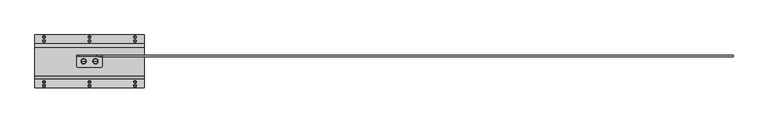
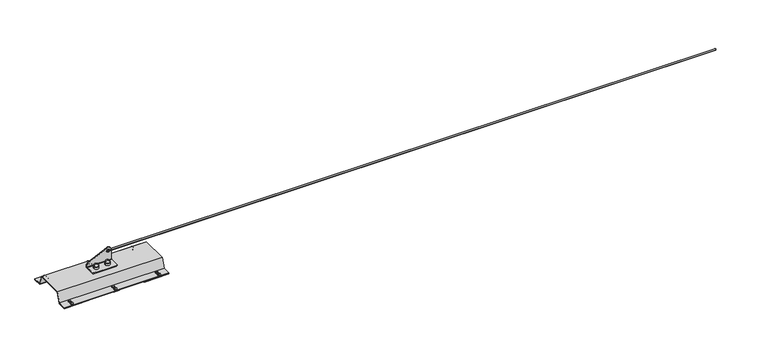
"""IFC4 building model written with IfcOpenShell, lengths in millimetres: proxy geometry."""

from ifc_helpers import new_model, si_unit, point, frame, frame_2d, origin, origin_with_axes, place, context, project, spatial, polyline, circle_curve, ellipse_curve, trimmed, segment, composite_curve, outline, extrude, source, transform, mapped, element, save
from ifc_brep_helpers import plane_surface, cylinder_surface, revolved_surface, advanced_brep


def specialty_equipment_184cac67(model_context):
    return source(origin(), model_context, "Body", "SolidModel", [
        advanced_brep(
        [(30.0, -27.5, 61.0), (17.0, -27.5, 61.0), (43.0, -27.5, 61.0), (41.1288682, -27.5, 74.769106), (18.8711318, -27.5, 74.769106), (30.0, -27.5, 84.5), (41.6048875, -27.5, 74.0453749), (18.3951125, -27.5, 74.0453749), (42.5150381, -27.5, 73.4985013), (17.4849619, -27.5, 73.4985013), (43.0, -27.5, 72.641334), (17.0, -27.5, 72.641334)],
        [
            (0, 1),
            (1, 2, circle_curve(frame((30.0, -27.5, 61.0), z_axis=(0.0, 0.0, -1.0), x_axis=(-1.0, 0.0, 0.0)), 13.0)),
            (2, 0),
            (2, 1, circle_curve(frame((30.0, -27.5, 61.0), z_axis=(0.0, 0.0, -1.0), x_axis=(-1.0, 0.0, 0.0)), 13.0)),
            (3, 4, circle_curve(frame((30.0, -27.5, 74.769106), z_axis=(0.0, 0.0, 1.0), x_axis=(-1.0, 0.0, 0.0)), 11.1288682)),
            (4, 5, circle_curve(frame((30.0, -27.5, 73.2707129), z_axis=(0.0, 1.0, 0.0), x_axis=(1.0, 0.0, 0.0)), 11.2292871)),
            (5, 3, circle_curve(frame((30.0, -27.5, 73.2707129), z_axis=(0.0, 1.0, 0.0), x_axis=(-1.0, 0.0, 0.0)), 11.2292871)),
            (4, 3, circle_curve(frame((30.0, -27.5, 74.769106), z_axis=(0.0, 0.0, 1.0), x_axis=(-1.0, 0.0, 0.0)), 11.1288682)),
            (6, 7, circle_curve(frame((30.0, -27.5, 74.0453749), z_axis=(0.0, 0.0, 1.0), x_axis=(-1.0, 0.0, 0.0)), 11.6048875)),
            (7, 4, circle_curve(frame((17.8800744, -27.5, 74.9025422), z_axis=(0.0, -1.0, 0.0), x_axis=(1.0, 0.0, 0.0)), 1.0)),
            (3, 6, circle_curve(frame((42.1199256, -27.5, 74.9025422), z_axis=(0.0, -1.0, 0.0), x_axis=(-1.0, 0.0, 0.0)), 1.0)),
            (7, 6, circle_curve(frame((30.0, -27.5, 74.0453749), z_axis=(0.0, 0.0, 1.0), x_axis=(-1.0, 0.0, 0.0)), 11.6048875)),
            (8, 9, circle_curve(frame((30.0, -27.5, 73.4985013), z_axis=(0.0, 0.0, 1.0), x_axis=(-1.0, 0.0, 0.0)), 12.5150381)),
            (9, 7),
            (6, 8),
            (9, 8, circle_curve(frame((30.0, -27.5, 73.4985013), z_axis=(0.0, 0.0, 1.0), x_axis=(-1.0, 0.0, 0.0)), 12.5150381)),
            (10, 11, circle_curve(frame((30.0, -27.5, 72.641334), z_axis=(0.0, 0.0, 1.0), x_axis=(-1.0, 0.0, 0.0)), 13.0)),
            (11, 9, circle_curve(frame((18.0, -27.5, 72.641334), z_axis=(0.0, 1.0, 0.0), x_axis=(1.0, 0.0, 0.0)), 1.0)),
            (8, 10, circle_curve(frame((42.0, -27.5, 72.641334), z_axis=(0.0, 1.0, 0.0), x_axis=(-1.0, 0.0, 0.0)), 1.0)),
            (11, 10, circle_curve(frame((30.0, -27.5, 72.641334), z_axis=(0.0, 0.0, 1.0), x_axis=(-1.0, 0.0, 0.0)), 13.0)),
            (1, 11),
            (10, 2),
        ],
        [
            plane_surface(frame((30.0, -27.5, 61.0), z_axis=(0.0, 0.0, -1.0), x_axis=(-1.0, 0.0, 0.0))),
            revolved_surface(trimmed(ellipse_curve(frame((30.0, -27.5, 73.2707129), z_axis=(0.0, -1.0, 0.0), x_axis=(1.0, 0.0, 0.0)), 11.2292871, 11.2292871), [point((30.0, -27.5, 84.5))], [point((18.8711318, -27.5, 74.769106))], True, "CARTESIAN"), (30.0, -27.5, 53.3736575), (0.0, 0.0, -1.0)),
            revolved_surface(trimmed(ellipse_curve(frame((17.8800744, -27.5, 74.9025422), z_axis=(0.0, 1.0, 0.0), x_axis=(1.0, 0.0, 0.0)), 1.0, 1.0), [point((18.8711318, -27.5, 74.769106))], [point((18.3951125, -27.5, 74.0453749))], True, "CARTESIAN"), (30.0, -27.5, 53.3736575), (0.0, 0.0, -1.0)),
            revolved_surface(polyline([(18.3951125, -27.5, 74.0453749), (17.4849619, -27.5, 73.4985013)]), (30.0, -27.5, 53.3736575), (0.0, 0.0, -1.0)),
            revolved_surface(trimmed(ellipse_curve(frame((18.0, -27.5, 72.641334), z_axis=(0.0, -1.0, 0.0), x_axis=(1.0, 0.0, 0.0)), 1.0, 1.0), [point((17.4849619, -27.5, 73.4985013))], [point((17.0, -27.5, 72.641334))], True, "CARTESIAN"), (30.0, -27.5, 53.3736575), (0.0, 0.0, -1.0)),
            cylinder_surface(frame((30.0, -27.5, 53.3736575), z_axis=(0.0, 0.0, -1.0), x_axis=(-1.0, 0.0, 0.0)), 13.0),
        ],
        [
            (0, [[1, 2, 3]]),
            (0, [[-3, 4, -1]]),
            (1, [[5, 6, 7]]),
            (1, [[8, -7, -6]]),
            (2, [[9, 10, -5, 11]]),
            (2, [[12, -11, -8, -10]]),
            (3, [[13, 14, -9, 15]]),
            (3, [[16, -15, -12, -14]]),
            (4, [[17, 18, -13, 19]]),
            (4, [[20, -19, -16, -18]]),
            (5, [[-2, 21, -17, 22]]),
            (5, [[-4, -22, -20, -21]]),
        ],
    ),
        advanced_brep(
        [(-30.0, -27.5, 61.0), (-43.0, -27.5, 61.0), (-17.0, -27.5, 61.0), (-18.8711318, -27.5, 74.769106), (-41.1288682, -27.5, 74.769106), (-30.0, -27.5, 84.5), (-18.3951125, -27.5, 74.0453749), (-41.6048875, -27.5, 74.0453749), (-17.4849619, -27.5, 73.4985013), (-42.5150381, -27.5, 73.4985013), (-17.0, -27.5, 72.641334), (-43.0, -27.5, 72.641334)],
        [
            (0, 1),
            (1, 2, circle_curve(frame((-30.0, -27.5, 61.0), z_axis=(0.0, 0.0, -1.0), x_axis=(-1.0, 0.0, 0.0)), 13.0)),
            (2, 0),
            (2, 1, circle_curve(frame((-30.0, -27.5, 61.0), z_axis=(0.0, 0.0, -1.0), x_axis=(-1.0, 0.0, 0.0)), 13.0)),
            (3, 4, circle_curve(frame((-30.0, -27.5, 74.769106), z_axis=(0.0, 0.0, 1.0), x_axis=(-1.0, 0.0, 0.0)), 11.1288682)),
            (4, 5, circle_curve(frame((-30.0, -27.5, 73.2707129), z_axis=(0.0, 1.0, 0.0), x_axis=(1.0, 0.0, 0.0)), 11.2292871)),
            (5, 3, circle_curve(frame((-30.0, -27.5, 73.2707129), z_axis=(0.0, 1.0, 0.0), x_axis=(-1.0, 0.0, 0.0)), 11.2292871)),
            (4, 3, circle_curve(frame((-30.0, -27.5, 74.769106), z_axis=(0.0, 0.0, 1.0), x_axis=(-1.0, 0.0, 0.0)), 11.1288682)),
            (6, 7, circle_curve(frame((-30.0, -27.5, 74.0453749), z_axis=(0.0, 0.0, 1.0), x_axis=(-1.0, 0.0, 0.0)), 11.6048875)),
            (7, 4, circle_curve(frame((-42.1199256, -27.5, 74.9025422), z_axis=(0.0, -1.0, 0.0), x_axis=(1.0, 0.0, 0.0)), 1.0)),
            (3, 6, circle_curve(frame((-17.8800744, -27.5, 74.9025422), z_axis=(0.0, -1.0, 0.0), x_axis=(-1.0, 0.0, 0.0)), 1.0)),
            (7, 6, circle_curve(frame((-30.0, -27.5, 74.0453749), z_axis=(0.0, 0.0, 1.0), x_axis=(-1.0, 0.0, 0.0)), 11.6048875)),
            (8, 9, circle_curve(frame((-30.0, -27.5, 73.4985013), z_axis=(0.0, 0.0, 1.0), x_axis=(-1.0, 0.0, 0.0)), 12.5150381)),
            (9, 7),
            (6, 8),
            (9, 8, circle_curve(frame((-30.0, -27.5, 73.4985013), z_axis=(0.0, 0.0, 1.0), x_axis=(-1.0, 0.0, 0.0)), 12.5150381)),
            (10, 11, circle_curve(frame((-30.0, -27.5, 72.641334), z_axis=(0.0, 0.0, 1.0), x_axis=(-1.0, 0.0, 0.0)), 13.0)),
            (11, 9, circle_curve(frame((-42.0, -27.5, 72.641334), z_axis=(0.0, 1.0, 0.0), x_axis=(1.0, 0.0, 0.0)), 1.0)),
            (8, 10, circle_curve(frame((-18.0, -27.5, 72.641334), z_axis=(0.0, 1.0, 0.0), x_axis=(-1.0, 0.0, 0.0)), 1.0)),
            (11, 10, circle_curve(frame((-30.0, -27.5, 72.641334), z_axis=(0.0, 0.0, 1.0), x_axis=(-1.0, 0.0, 0.0)), 13.0)),
            (1, 11),
            (10, 2),
        ],
        [
            plane_surface(frame((-30.0, -27.5, 61.0), z_axis=(0.0, 0.0, -1.0), x_axis=(-1.0, 0.0, 0.0))),
            revolved_surface(trimmed(ellipse_curve(frame((-30.0, -27.5, 73.2707129), z_axis=(0.0, -1.0, 0.0), x_axis=(1.0, 0.0, 0.0)), 11.2292871, 11.2292871), [point((-30.0, -27.5, 84.5))], [point((-41.1288682, -27.5, 74.769106))], True, "CARTESIAN"), (-30.0, -27.5, 53.3736575), (0.0, 0.0, -1.0)),
            revolved_surface(trimmed(ellipse_curve(frame((-42.1199256, -27.5, 74.9025422), z_axis=(0.0, 1.0, 0.0), x_axis=(1.0, 0.0, 0.0)), 1.0, 1.0), [point((-41.1288682, -27.5, 74.769106))], [point((-41.6048875, -27.5, 74.0453749))], True, "CARTESIAN"), (-30.0, -27.5, 53.3736575), (0.0, 0.0, -1.0)),
            revolved_surface(polyline([(-41.6048875, -27.5, 74.0453749), (-42.5150381, -27.5, 73.4985013)]), (-30.0, -27.5, 53.3736575), (0.0, 0.0, -1.0)),
            revolved_surface(trimmed(ellipse_curve(frame((-42.0, -27.5, 72.641334), z_axis=(0.0, -1.0, 0.0), x_axis=(1.0, 0.0, 0.0)), 1.0, 1.0), [point((-42.5150381, -27.5, 73.4985013))], [point((-43.0, -27.5, 72.641334))], True, "CARTESIAN"), (-30.0, -27.5, 53.3736575), (0.0, 0.0, -1.0)),
            cylinder_surface(frame((-30.0, -27.5, 53.3736575), z_axis=(0.0, 0.0, -1.0), x_axis=(-1.0, 0.0, 0.0)), 13.0),
        ],
        [
            (0, [[1, 2, 3]]),
            (0, [[-3, 4, -1]]),
            (1, [[5, 6, 7]]),
            (1, [[8, -7, -6]]),
            (2, [[9, 10, -5, 11]]),
            (2, [[12, -11, -8, -10]]),
            (3, [[13, 14, -9, 15]]),
            (3, [[16, -15, -12, -14]]),
            (4, [[17, 18, -13, 19]]),
            (4, [[20, -19, -16, -18]]),
            (5, [[-2, 21, -17, 22]]),
            (5, [[-4, -22, -20, -21]]),
        ],
    ),
        advanced_brep(
        [(65.0, -2.5, 114.5), (39.8285049, -2.5, 130.2288958), (-55.1714951, -2.5, 83.8942999), (-65.0, -2.5, 68.1654041), (-65.0, -2.5, 64.0), (65.0, -2.5, 64.0), (55.0, -2.5, 114.5), (40.0, -2.5, 114.5), (-65.0, 2.5, 68.1654041), (-55.1714951, 2.5, 83.8942999), (39.8285049, 2.5, 130.2288958), (65.0, 2.5, 114.5), (65.0, 2.5, 64.0), (-65.0, 2.5, 64.0), (40.0, 2.5, 114.5), (55.0, 2.5, 114.5), (-65.0, -27.5, 61.0), (-65.0, -52.5, 61.0), (-60.0, -57.5, 61.0), (0.0, -57.5, 61.0), (60.0, -57.5, 61.0), (65.0, -52.5, 61.0), (65.0, -27.5, 61.0), (65.0, -5.5, 61.0), (-65.0, -5.5, 61.0), (65.0, -27.5, 56.0), (65.0, -52.5, 56.0), (60.0, -57.5, 56.0), (0.0, -57.5, 56.0), (-60.0, -57.5, 56.0), (-65.0, -52.5, 56.0), (-65.0, -27.5, 56.0), (-65.0, -5.5, 56.0), (65.0, -5.5, 56.0)],
        [
            (0, 1, circle_curve(frame((47.5, -2.5, 114.5), z_axis=(0.0, -1.0, 0.0), x_axis=(-1.0, 0.0, 0.0)), 17.5)),
            (1, 2),
            (2, 3, circle_curve(frame((-47.5, -2.5, 68.1654041), z_axis=(0.0, -1.0, 0.0), x_axis=(-1.0, 0.0, 0.0)), 17.5)),
            (3, 4),
            (4, 5),
            (5, 0),
            (6, 7, circle_curve(frame((47.5, -2.5, 114.5), z_axis=(0.0, 1.0, 0.0), x_axis=(1.0, 0.0, 0.0)), 7.5)),
            (7, 6, circle_curve(frame((47.5, -2.5, 114.5), z_axis=(0.0, 1.0, 0.0), x_axis=(1.0, 0.0, 0.0)), 7.5)),
            (8, 9, circle_curve(frame((-47.5, 2.5, 68.1654041), z_axis=(0.0, 1.0, 0.0), x_axis=(-1.0, 0.0, 0.0)), 17.5)),
            (9, 10),
            (10, 11, circle_curve(frame((47.5, 2.5, 114.5), z_axis=(0.0, 1.0, 0.0), x_axis=(-1.0, 0.0, 0.0)), 17.5)),
            (11, 12),
            (12, 13),
            (13, 8),
            (14, 15, circle_curve(frame((47.5, 2.5, 114.5), z_axis=(0.0, -1.0, 0.0), x_axis=(1.0, 0.0, 0.0)), 7.5)),
            (15, 14, circle_curve(frame((47.5, 2.5, 114.5), z_axis=(0.0, -1.0, 0.0), x_axis=(1.0, 0.0, 0.0)), 7.5)),
            (16, 17),
            (17, 18, circle_curve(frame((-60.0, -52.5, 61.0), z_axis=(0.0, 0.0, 1.0), x_axis=(0.0, 1.0, 0.0)), 5.0)),
            (18, 19),
            (19, 20),
            (20, 21, circle_curve(frame((60.0, -52.5, 61.0), z_axis=(0.0, 0.0, 1.0), x_axis=(0.0, 1.0, 0.0)), 5.0)),
            (21, 22),
            (22, 23),
            (23, 24),
            (24, 16),
            (25, 26),
            (26, 27, circle_curve(frame((60.0, -52.5, 56.0), z_axis=(0.0, 0.0, -1.0), x_axis=(0.0, 1.0, 0.0)), 5.0)),
            (27, 28),
            (28, 29),
            (29, 30, circle_curve(frame((-60.0, -52.5, 56.0), z_axis=(0.0, 0.0, -1.0), x_axis=(0.0, 1.0, 0.0)), 5.0)),
            (30, 31),
            (31, 32),
            (32, 33),
            (33, 25),
            (16, 31),
            (30, 17),
            (29, 18),
            (28, 19),
            (27, 20),
            (26, 21),
            (25, 22),
            (4, 24, circle_curve(frame((-65.0, -5.5, 64.0), z_axis=(-1.0, 0.0, 0.0), x_axis=(0.0, 1.0, 0.0)), 3.0)),
            (23, 5, circle_curve(frame((65.0, -5.5, 64.0), z_axis=(1.0, 0.0, 0.0), x_axis=(0.0, 1.0, 0.0)), 3.0)),
            (11, 0),
            (33, 12, circle_curve(frame((65.0, -5.5, 64.0), z_axis=(1.0, 0.0, 0.0), x_axis=(0.0, 1.0, 0.0)), 8.0)),
            (10, 1),
            (9, 2),
            (8, 3),
            (13, 32, circle_curve(frame((-65.0, -5.5, 64.0), z_axis=(-1.0, 0.0, 0.0), x_axis=(0.0, 1.0, 0.0)), 8.0)),
            (6, 15),
            (14, 7),
        ],
        [
            plane_surface(frame((65.0, -2.5, 61.0), z_axis=(0.0, -1.0, 0.0), x_axis=(0.0, 0.0, 1.0))),
            plane_surface(frame((65.0, 2.5, 61.0), z_axis=(0.0, 1.0, 0.0), x_axis=(0.0, 0.0, -1.0))),
            plane_surface(frame((-65.0, 2.5, 61.0), z_axis=(0.0, 0.0, 1.0), x_axis=(0.0, -1.0, 0.0))),
            plane_surface(frame((-65.0, 2.5, 56.0), z_axis=(0.0, 0.0, -1.0), x_axis=(0.0, 1.0, 0.0))),
            plane_surface(frame((-65.0, -27.5, 61.0), z_axis=(-1.0, 0.0, 0.0), x_axis=(0.0, 0.0, -1.0))),
            cylinder_surface(frame((-60.0, -52.5, 56.0), z_axis=(0.0, 0.0, 1.0), x_axis=(0.0, 1.0, 0.0)), 5.0),
            plane_surface(frame((-60.0, -57.5, 61.0), z_axis=(0.0, -1.0, 0.0), x_axis=(0.0, 0.0, -1.0))),
            plane_surface(frame((0.0, -57.5, 61.0), z_axis=(0.0, -1.0, 0.0), x_axis=(0.0, 0.0, -1.0))),
            cylinder_surface(frame((60.0, -52.5, 56.0), z_axis=(0.0, 0.0, 1.0), x_axis=(0.0, 1.0, 0.0)), 5.0),
            plane_surface(frame((65.0, -52.5, 61.0), z_axis=(1.0, 0.0, 0.0), x_axis=(0.0, 0.0, -1.0))),
            revolved_surface(polyline([(-65.0, -2.5, 64.0), (65.0, -2.5, 64.0)]), (-65.0, -5.5, 64.0), (-1.0, 0.0, 0.0)),
            plane_surface(frame((65.0, -2.5, 61.0), z_axis=(1.0, 0.0, 0.0), x_axis=(0.0, 1.0, 0.0))),
            cylinder_surface(frame((47.5, 2.5, 114.5), z_axis=(0.0, -1.0, 0.0), x_axis=(-1.0, 0.0, 0.0)), 17.5),
            plane_surface(frame((39.8285049, -2.5, 130.2288958), z_axis=(-0.4383711467890806, 0.0, 0.8987940462991655), x_axis=(0.0, 1.0, 0.0))),
            cylinder_surface(frame((-47.5, 2.5, 68.1654041), z_axis=(0.0, -1.0, 0.0), x_axis=(-1.0, 0.0, 0.0)), 17.5),
            plane_surface(frame((-65.0, -2.5, 68.1654041), z_axis=(-1.0, 0.0, 0.0), x_axis=(0.0, 1.0, 0.0))),
            revolved_surface(polyline([(55.0, -2.5, 114.5), (55.0, 2.5, 114.5)]), (47.5, 2.5, 114.5), (0.0, -1.0, 0.0)),
            cylinder_surface(frame((-65.0, -5.5, 64.0), z_axis=(-1.0, 0.0, 0.0), x_axis=(0.0, 1.0, 0.0)), 8.0),
        ],
        [
            (0, [[1, 2, 3, 4, 5, 6], [7, 8]]),
            (1, [[9, 10, 11, 12, 13, 14], [15, 16]]),
            (2, [[17, 18, 19, 20, 21, 22, 23, 24, 25]]),
            (3, [[26, 27, 28, 29, 30, 31, 32, 33, 34]]),
            (4, [[-17, 35, -31, 36]]),
            (5, [[-18, -36, -30, 37]]),
            (6, [[-19, -37, -29, 38]]),
            (7, [[-20, -38, -28, 39]]),
            (8, [[-21, -39, -27, 40]]),
            (9, [[-22, -40, -26, 41]]),
            (10, [[42, -24, 43, -5]]),
            (11, [[44, -6, -43, -23, -41, -34, 45, -12]]),
            (12, [[-1, -44, -11, 46]]),
            (13, [[-2, -46, -10, 47]]),
            (14, [[-3, -47, -9, 48]]),
            (15, [[-48, -14, 49, -32, -35, -25, -42, -4]]),
            (16, [[50, -15, 51, -7]]),
            (16, [[-50, -8, -51, -16]]),
            (17, [[-13, -45, -33, -49]]),
        ],
    ),
        extrude(outline(polyline([(61.0, 3.0), (42.7695663, 53.0877048), (-97.7695663, 53.0877048), (-116.0, 3.0), (-161.0, 3.0), (-161.0, 6.0), (-118.1006226, 6.0), (-99.870189, 56.0877048), (44.870189, 56.0877048), (63.1006226, 6.0), (106.0, 6.0), (106.0, 3.0), (61.0, 3.0)])), frame((-276.0, 0.0, 0.0), z_axis=(1.0, 0.0, 0.0), x_axis=(0.0, 1.0, 0.0)), (0.0, 0.0, 1.0), 552.0),
        extrude(outline(polyline([(-146.0, 106.0), (-146.0, 61.0), (-276.0, 61.0), (-276.0, 106.0), (-146.0, 106.0)])), origin_with_axes(), (0.0, 0.0, 1.0), 3.0),
        extrude(outline(polyline([(146.0, 106.0), (276.0, 106.0), (276.0, 61.0), (146.0, 61.0), (146.0, 106.0)])), origin_with_axes(), (0.0, 0.0, 1.0), 3.0),
        extrude(outline(polyline([(-146.0, -161.0), (-276.0, -161.0), (-276.0, -116.0), (-146.0, -116.0), (-146.0, -161.0)])), origin_with_axes(), (0.0, 0.0, 1.0), 3.0),
        extrude(outline(polyline([(146.0, -161.0), (146.0, -116.0), (276.0, -116.0), (276.0, -161.0), (146.0, -161.0)])), origin_with_axes(), (0.0, 0.0, 1.0), 3.0),
        extrude(outline(polyline([(0.0, 106.0), (14.1113894, 106.0), (14.1113894, 61.0), (0.0, 61.0), (-14.1113894, 61.0), (-14.1113894, 106.0), (0.0, 106.0)])), origin_with_axes(), (0.0, 0.0, 1.0), 3.0),
        extrude(outline(polyline([(0.0, -161.0), (-14.1113894, -161.0), (-14.1113894, -116.0), (0.0, -116.0), (14.1113894, -116.0), (14.1113894, -161.0), (0.0, -161.0)])), origin_with_axes(), (0.0, 0.0, 1.0), 3.0),
        advanced_brep(
        [(237.2980125, -151.0, 6.0), (222.7019875, -151.0, 6.0), (230.0, -151.0, 6.0), (237.2980125, -151.0, 7.5), (222.7019875, -151.0, 7.5), (233.2980125, -151.0, 11.5), (226.7019875, -151.0, 11.5), (230.0, -151.0, 11.5)],
        [
            (0, 1, circle_curve(frame((230.0, -151.0, 6.0), z_axis=(0.0, 0.0, -1.0), x_axis=(-1.0, 0.0, 0.0)), 7.2980125)),
            (1, 2),
            (2, 0),
            (1, 0, circle_curve(frame((230.0, -151.0, 6.0), z_axis=(0.0, 0.0, -1.0), x_axis=(-1.0, 0.0, 0.0)), 7.2980125)),
            (3, 4, circle_curve(frame((230.0, -151.0, 7.5), z_axis=(0.0, 0.0, -1.0), x_axis=(-1.0, 0.0, 0.0)), 7.2980125)),
            (4, 1),
            (0, 3),
            (4, 3, circle_curve(frame((230.0, -151.0, 7.5), z_axis=(0.0, 0.0, -1.0), x_axis=(-1.0, 0.0, 0.0)), 7.2980125)),
            (5, 6, circle_curve(frame((230.0, -151.0, 11.5), z_axis=(0.0, 0.0, -1.0), x_axis=(-1.0, 0.0, 0.0)), 3.2980125)),
            (6, 4, circle_curve(frame((226.7019875, -151.0, 7.5), z_axis=(0.0, -1.0, 0.0), x_axis=(-1.0, 0.0, 0.0)), 4.0)),
            (3, 5, circle_curve(frame((233.2980125, -151.0, 7.5), z_axis=(0.0, -1.0, 0.0), x_axis=(1.0, 0.0, 0.0)), 4.0)),
            (6, 5, circle_curve(frame((230.0, -151.0, 11.5), z_axis=(0.0, 0.0, -1.0), x_axis=(-1.0, 0.0, 0.0)), 3.2980125)),
            (7, 6),
            (5, 7),
        ],
        [
            plane_surface(frame((230.0, -151.0, 6.0), z_axis=(0.0, 0.0, -1.0), x_axis=(-1.0, 0.0, 0.0))),
            cylinder_surface(frame((230.0, -151.0, -55.0), z_axis=(0.0, 0.0, 1.0), x_axis=(-1.0, 0.0, 0.0)), 7.2980125),
            revolved_surface(trimmed(ellipse_curve(frame((226.7019875, -151.0, 7.5), z_axis=(0.0, 1.0, 0.0), x_axis=(-1.0, 0.0, 0.0)), 4.0, 4.0), [point((222.7019875, -151.0, 7.5))], [point((226.7019875, -151.0, 11.5))], True, "CARTESIAN"), (230.0, -151.0, -55.0), (0.0, 0.0, 1.0)),
            plane_surface(frame((230.0, -151.0, 11.5), z_axis=(0.0, 0.0, 1.0), x_axis=(-1.0, 0.0, 0.0))),
        ],
        [
            (0, [[1, 2, 3]]),
            (0, [[4, -3, -2]]),
            (1, [[5, 6, -1, 7]]),
            (1, [[8, -7, -4, -6]]),
            (2, [[9, 10, -5, 11]]),
            (2, [[12, -11, -8, -10]]),
            (3, [[13, -9, 14]]),
            (3, [[-14, -12, -13]]),
        ],
    ),
        advanced_brep(
        [(7.2980125, -151.0, 6.0), (-7.2980125, -151.0, 6.0), (0.0, -151.0, 6.0), (7.2980125, -151.0, 7.5), (-7.2980125, -151.0, 7.5), (3.2980125, -151.0, 11.5), (-3.2980125, -151.0, 11.5), (0.0, -151.0, 11.5)],
        [
            (0, 1, circle_curve(frame((0.0, -151.0, 6.0), z_axis=(0.0, 0.0, -1.0), x_axis=(-1.0, 0.0, 0.0)), 7.2980125)),
            (1, 2),
            (2, 0),
            (1, 0, circle_curve(frame((0.0, -151.0, 6.0), z_axis=(0.0, 0.0, -1.0), x_axis=(-1.0, 0.0, 0.0)), 7.2980125)),
            (3, 4, circle_curve(frame((0.0, -151.0, 7.5), z_axis=(0.0, 0.0, -1.0), x_axis=(-1.0, 0.0, 0.0)), 7.2980125)),
            (4, 1),
            (0, 3),
            (4, 3, circle_curve(frame((0.0, -151.0, 7.5), z_axis=(0.0, 0.0, -1.0), x_axis=(-1.0, 0.0, 0.0)), 7.2980125)),
            (5, 6, circle_curve(frame((0.0, -151.0, 11.5), z_axis=(0.0, 0.0, -1.0), x_axis=(-1.0, 0.0, 0.0)), 3.2980125)),
            (6, 4, circle_curve(frame((-3.2980125, -151.0, 7.5), z_axis=(0.0, -1.0, 0.0), x_axis=(-1.0, 0.0, 0.0)), 4.0)),
            (3, 5, circle_curve(frame((3.2980125, -151.0, 7.5), z_axis=(0.0, -1.0, 0.0), x_axis=(1.0, 0.0, 0.0)), 4.0)),
            (6, 5, circle_curve(frame((0.0, -151.0, 11.5), z_axis=(0.0, 0.0, -1.0), x_axis=(-1.0, 0.0, 0.0)), 3.2980125)),
            (7, 6),
            (5, 7),
        ],
        [
            plane_surface(frame((0.0, -151.0, 6.0), z_axis=(0.0, 0.0, -1.0), x_axis=(-1.0, 0.0, 0.0))),
            cylinder_surface(frame((0.0, -151.0, -55.0), z_axis=(0.0, 0.0, 1.0), x_axis=(-1.0, 0.0, 0.0)), 7.2980125),
            revolved_surface(trimmed(ellipse_curve(frame((-3.2980125, -151.0, 7.5), z_axis=(0.0, 1.0, 0.0), x_axis=(-1.0, 0.0, 0.0)), 4.0, 4.0), [point((-7.2980125, -151.0, 7.5))], [point((-3.2980125, -151.0, 11.5))], True, "CARTESIAN"), (0.0, -151.0, -55.0), (0.0, 0.0, 1.0)),
            plane_surface(frame((0.0, -151.0, 11.5), z_axis=(0.0, 0.0, 1.0), x_axis=(-1.0, 0.0, 0.0))),
        ],
        [
            (0, [[1, 2, 3]]),
            (0, [[4, -3, -2]]),
            (1, [[5, 6, -1, 7]]),
            (1, [[8, -7, -4, -6]]),
            (2, [[9, 10, -5, 11]]),
            (2, [[12, -11, -8, -10]]),
            (3, [[13, -9, 14]]),
            (3, [[-14, -12, -13]]),
        ],
    ),
        advanced_brep(
        [(-222.7019875, -151.0, 6.0), (-237.2980125, -151.0, 6.0), (-230.0, -151.0, 6.0), (-222.7019875, -151.0, 7.5), (-237.2980125, -151.0, 7.5), (-226.7019875, -151.0, 11.5), (-233.2980125, -151.0, 11.5), (-230.0, -151.0, 11.5)],
        [
            (0, 1, circle_curve(frame((-230.0, -151.0, 6.0), z_axis=(0.0, 0.0, -1.0), x_axis=(-1.0, 0.0, 0.0)), 7.2980125)),
            (1, 2),
            (2, 0),
            (1, 0, circle_curve(frame((-230.0, -151.0, 6.0), z_axis=(0.0, 0.0, -1.0), x_axis=(-1.0, 0.0, 0.0)), 7.2980125)),
            (3, 4, circle_curve(frame((-230.0, -151.0, 7.5), z_axis=(0.0, 0.0, -1.0), x_axis=(-1.0, 0.0, 0.0)), 7.2980125)),
            (4, 1),
            (0, 3),
            (4, 3, circle_curve(frame((-230.0, -151.0, 7.5), z_axis=(0.0, 0.0, -1.0), x_axis=(-1.0, 0.0, 0.0)), 7.2980125)),
            (5, 6, circle_curve(frame((-230.0, -151.0, 11.5), z_axis=(0.0, 0.0, -1.0), x_axis=(-1.0, 0.0, 0.0)), 3.2980125)),
            (6, 4, circle_curve(frame((-233.2980125, -151.0, 7.5), z_axis=(0.0, -1.0, 0.0), x_axis=(-1.0, 0.0, 0.0)), 4.0)),
            (3, 5, circle_curve(frame((-226.7019875, -151.0, 7.5), z_axis=(0.0, -1.0, 0.0), x_axis=(1.0, 0.0, 0.0)), 4.0)),
            (6, 5, circle_curve(frame((-230.0, -151.0, 11.5), z_axis=(0.0, 0.0, -1.0), x_axis=(-1.0, 0.0, 0.0)), 3.2980125)),
            (7, 6),
            (5, 7),
        ],
        [
            plane_surface(frame((-230.0, -151.0, 6.0), z_axis=(0.0, 0.0, -1.0), x_axis=(-1.0, 0.0, 0.0))),
            cylinder_surface(frame((-230.0, -151.0, -55.0), z_axis=(0.0, 0.0, 1.0), x_axis=(-1.0, 0.0, 0.0)), 7.2980125),
            revolved_surface(trimmed(ellipse_curve(frame((-233.2980125, -151.0, 7.5), z_axis=(0.0, 1.0, 0.0), x_axis=(-1.0, 0.0, 0.0)), 4.0, 4.0), [point((-237.2980125, -151.0, 7.5))], [point((-233.2980125, -151.0, 11.5))], True, "CARTESIAN"), (-230.0, -151.0, -55.0), (0.0, 0.0, 1.0)),
            plane_surface(frame((-230.0, -151.0, 11.5), z_axis=(0.0, 0.0, 1.0), x_axis=(-1.0, 0.0, 0.0))),
        ],
        [
            (0, [[1, 2, 3]]),
            (0, [[4, -3, -2]]),
            (1, [[5, 6, -1, 7]]),
            (1, [[8, -7, -4, -6]]),
            (2, [[9, 10, -5, 11]]),
            (2, [[12, -11, -8, -10]]),
            (3, [[13, -9, 14]]),
            (3, [[-14, -12, -13]]),
        ],
    ),
        advanced_brep(
        [(222.7019875, 76.0, 6.0), (237.2980125, 76.0, 6.0), (230.0, 76.0, 6.0), (222.7019875, 76.0, 7.5), (237.2980125, 76.0, 7.5), (226.7019875, 76.0, 11.5), (233.2980125, 76.0, 11.5), (230.0, 76.0, 11.5)],
        [
            (0, 1, circle_curve(frame((230.0, 76.0, 6.0), z_axis=(0.0, 0.0, -1.0), x_axis=(1.0, 0.0, 0.0)), 7.2980125)),
            (1, 2),
            (2, 0),
            (1, 0, circle_curve(frame((230.0, 76.0, 6.0), z_axis=(0.0, 0.0, -1.0), x_axis=(1.0, 0.0, 0.0)), 7.2980125)),
            (3, 4, circle_curve(frame((230.0, 76.0, 7.5), z_axis=(0.0, 0.0, -1.0), x_axis=(1.0, 0.0, 0.0)), 7.2980125)),
            (4, 1),
            (0, 3),
            (4, 3, circle_curve(frame((230.0, 76.0, 7.5), z_axis=(0.0, 0.0, -1.0), x_axis=(1.0, 0.0, 0.0)), 7.2980125)),
            (5, 6, circle_curve(frame((230.0, 76.0, 11.5), z_axis=(0.0, 0.0, -1.0), x_axis=(1.0, 0.0, 0.0)), 3.2980125)),
            (6, 4, circle_curve(frame((233.2980125, 76.0, 7.5), z_axis=(0.0, 1.0, 0.0), x_axis=(-1.0, 0.0, 0.0)), 4.0)),
            (3, 5, circle_curve(frame((226.7019875, 76.0, 7.5), z_axis=(0.0, 1.0, 0.0), x_axis=(1.0, 0.0, 0.0)), 4.0)),
            (6, 5, circle_curve(frame((230.0, 76.0, 11.5), z_axis=(0.0, 0.0, -1.0), x_axis=(1.0, 0.0, 0.0)), 3.2980125)),
            (7, 6),
            (5, 7),
        ],
        [
            plane_surface(frame((230.0, 76.0, 6.0), z_axis=(0.0, 0.0, -1.0), x_axis=(1.0, 0.0, 0.0))),
            cylinder_surface(frame((230.0, 76.0, -55.0), z_axis=(0.0, 0.0, 1.0), x_axis=(1.0, 0.0, 0.0)), 7.2980125),
            revolved_surface(trimmed(ellipse_curve(frame((233.2980125, 76.0, 7.5), z_axis=(0.0, -1.0, 0.0), x_axis=(-1.0, 0.0, 0.0)), 4.0, 4.0), [point((237.2980125, 76.0, 7.5))], [point((233.2980125, 76.0, 11.5))], True, "CARTESIAN"), (230.0, 76.0, -55.0), (0.0, 0.0, 1.0)),
            plane_surface(frame((230.0, 76.0, 11.5), z_axis=(0.0, 0.0, 1.0), x_axis=(1.0, 0.0, 0.0))),
        ],
        [
            (0, [[1, 2, 3]]),
            (0, [[4, -3, -2]]),
            (1, [[5, 6, -1, 7]]),
            (1, [[8, -7, -4, -6]]),
            (2, [[9, 10, -5, 11]]),
            (2, [[12, -11, -8, -10]]),
            (3, [[13, -9, 14]]),
            (3, [[-14, -12, -13]]),
        ],
    ),
        advanced_brep(
        [(-7.2980125, 76.0, 6.0), (7.2980125, 76.0, 6.0), (0.0, 76.0, 6.0), (-7.2980125, 76.0, 7.5), (7.2980125, 76.0, 7.5), (-3.2980125, 76.0, 11.5), (3.2980125, 76.0, 11.5), (0.0, 76.0, 11.5)],
        [
            (0, 1, circle_curve(frame((0.0, 76.0, 6.0), z_axis=(0.0, 0.0, -1.0), x_axis=(1.0, 0.0, 0.0)), 7.2980125)),
            (1, 2),
            (2, 0),
            (1, 0, circle_curve(frame((0.0, 76.0, 6.0), z_axis=(0.0, 0.0, -1.0), x_axis=(1.0, 0.0, 0.0)), 7.2980125)),
            (3, 4, circle_curve(frame((0.0, 76.0, 7.5), z_axis=(0.0, 0.0, -1.0), x_axis=(1.0, 0.0, 0.0)), 7.2980125)),
            (4, 1),
            (0, 3),
            (4, 3, circle_curve(frame((0.0, 76.0, 7.5), z_axis=(0.0, 0.0, -1.0), x_axis=(1.0, 0.0, 0.0)), 7.2980125)),
            (5, 6, circle_curve(frame((0.0, 76.0, 11.5), z_axis=(0.0, 0.0, -1.0), x_axis=(1.0, 0.0, 0.0)), 3.2980125)),
            (6, 4, circle_curve(frame((3.2980125, 76.0, 7.5), z_axis=(0.0, 1.0, 0.0), x_axis=(-1.0, 0.0, 0.0)), 4.0)),
            (3, 5, circle_curve(frame((-3.2980125, 76.0, 7.5), z_axis=(0.0, 1.0, 0.0), x_axis=(1.0, 0.0, 0.0)), 4.0)),
            (6, 5, circle_curve(frame((0.0, 76.0, 11.5), z_axis=(0.0, 0.0, -1.0), x_axis=(1.0, 0.0, 0.0)), 3.2980125)),
            (7, 6),
            (5, 7),
        ],
        [
            plane_surface(frame((0.0, 76.0, 6.0), z_axis=(0.0, 0.0, -1.0), x_axis=(1.0, 0.0, 0.0))),
            cylinder_surface(frame((0.0, 76.0, -55.0), z_axis=(0.0, 0.0, 1.0), x_axis=(1.0, 0.0, 0.0)), 7.2980125),
            revolved_surface(trimmed(ellipse_curve(frame((3.2980125, 76.0, 7.5), z_axis=(0.0, -1.0, 0.0), x_axis=(-1.0, 0.0, 0.0)), 4.0, 4.0), [point((7.2980125, 76.0, 7.5))], [point((3.2980125, 76.0, 11.5))], True, "CARTESIAN"), (0.0, 76.0, -55.0), (0.0, 0.0, 1.0)),
            plane_surface(frame((0.0, 76.0, 11.5), z_axis=(0.0, 0.0, 1.0), x_axis=(1.0, 0.0, 0.0))),
        ],
        [
            (0, [[1, 2, 3]]),
            (0, [[4, -3, -2]]),
            (1, [[5, 6, -1, 7]]),
            (1, [[8, -7, -4, -6]]),
            (2, [[9, 10, -5, 11]]),
            (2, [[12, -11, -8, -10]]),
            (3, [[13, -9, 14]]),
            (3, [[-14, -12, -13]]),
        ],
    ),
        advanced_brep(
        [(-237.2980125, 76.0, 6.0), (-222.7019875, 76.0, 6.0), (-230.0, 76.0, 6.0), (-237.2980125, 76.0, 7.5), (-222.7019875, 76.0, 7.5), (-233.2980125, 76.0, 11.5), (-226.7019875, 76.0, 11.5), (-230.0, 76.0, 11.5)],
        [
            (0, 1, circle_curve(frame((-230.0, 76.0, 6.0), z_axis=(0.0, 0.0, -1.0), x_axis=(1.0, 0.0, 0.0)), 7.2980125)),
            (1, 2),
            (2, 0),
            (1, 0, circle_curve(frame((-230.0, 76.0, 6.0), z_axis=(0.0, 0.0, -1.0), x_axis=(1.0, 0.0, 0.0)), 7.2980125)),
            (3, 4, circle_curve(frame((-230.0, 76.0, 7.5), z_axis=(0.0, 0.0, -1.0), x_axis=(1.0, 0.0, 0.0)), 7.2980125)),
            (4, 1),
            (0, 3),
            (4, 3, circle_curve(frame((-230.0, 76.0, 7.5), z_axis=(0.0, 0.0, -1.0), x_axis=(1.0, 0.0, 0.0)), 7.2980125)),
            (5, 6, circle_curve(frame((-230.0, 76.0, 11.5), z_axis=(0.0, 0.0, -1.0), x_axis=(1.0, 0.0, 0.0)), 3.2980125)),
            (6, 4, circle_curve(frame((-226.7019875, 76.0, 7.5), z_axis=(0.0, 1.0, 0.0), x_axis=(-1.0, 0.0, 0.0)), 4.0)),
            (3, 5, circle_curve(frame((-233.2980125, 76.0, 7.5), z_axis=(0.0, 1.0, 0.0), x_axis=(1.0, 0.0, 0.0)), 4.0)),
            (6, 5, circle_curve(frame((-230.0, 76.0, 11.5), z_axis=(0.0, 0.0, -1.0), x_axis=(1.0, 0.0, 0.0)), 3.2980125)),
            (7, 6),
            (5, 7),
        ],
        [
            plane_surface(frame((-230.0, 76.0, 6.0), z_axis=(0.0, 0.0, -1.0), x_axis=(1.0, 0.0, 0.0))),
            cylinder_surface(frame((-230.0, 76.0, -55.0), z_axis=(0.0, 0.0, 1.0), x_axis=(1.0, 0.0, 0.0)), 7.2980125),
            revolved_surface(trimmed(ellipse_curve(frame((-226.7019875, 76.0, 7.5), z_axis=(0.0, -1.0, 0.0), x_axis=(-1.0, 0.0, 0.0)), 4.0, 4.0), [point((-222.7019875, 76.0, 7.5))], [point((-226.7019875, 76.0, 11.5))], True, "CARTESIAN"), (-230.0, 76.0, -55.0), (0.0, 0.0, 1.0)),
            plane_surface(frame((-230.0, 76.0, 11.5), z_axis=(0.0, 0.0, 1.0), x_axis=(1.0, 0.0, 0.0))),
        ],
        [
            (0, [[1, 2, 3]]),
            (0, [[4, -3, -2]]),
            (1, [[5, 6, -1, 7]]),
            (1, [[8, -7, -4, -6]]),
            (2, [[9, 10, -5, 11]]),
            (2, [[12, -11, -8, -10]]),
            (3, [[13, -9, 14]]),
            (3, [[-14, -12, -13]]),
        ],
    ),
        advanced_brep(
        [(222.7019875, 96.0, 6.0), (237.2980125, 96.0, 6.0), (230.0, 96.0, 6.0), (222.7019875, 96.0, 7.5), (237.2980125, 96.0, 7.5), (226.7019875, 96.0, 11.5), (233.2980125, 96.0, 11.5), (230.0, 96.0, 11.5)],
        [
            (0, 1, circle_curve(frame((230.0, 96.0, 6.0), z_axis=(0.0, 0.0, -1.0), x_axis=(1.0, 0.0, 0.0)), 7.2980125)),
            (1, 2),
            (2, 0),
            (1, 0, circle_curve(frame((230.0, 96.0, 6.0), z_axis=(0.0, 0.0, -1.0), x_axis=(1.0, 0.0, 0.0)), 7.2980125)),
            (3, 4, circle_curve(frame((230.0, 96.0, 7.5), z_axis=(0.0, 0.0, -1.0), x_axis=(1.0, 0.0, 0.0)), 7.2980125)),
            (4, 1),
            (0, 3),
            (4, 3, circle_curve(frame((230.0, 96.0, 7.5), z_axis=(0.0, 0.0, -1.0), x_axis=(1.0, 0.0, 0.0)), 7.2980125)),
            (5, 6, circle_curve(frame((230.0, 96.0, 11.5), z_axis=(0.0, 0.0, -1.0), x_axis=(1.0, 0.0, 0.0)), 3.2980125)),
            (6, 4, circle_curve(frame((233.2980125, 96.0, 7.5), z_axis=(0.0, 1.0, 0.0), x_axis=(-1.0, 0.0, 0.0)), 4.0)),
            (3, 5, circle_curve(frame((226.7019875, 96.0, 7.5), z_axis=(0.0, 1.0, 0.0), x_axis=(1.0, 0.0, 0.0)), 4.0)),
            (6, 5, circle_curve(frame((230.0, 96.0, 11.5), z_axis=(0.0, 0.0, -1.0), x_axis=(1.0, 0.0, 0.0)), 3.2980125)),
            (7, 6),
            (5, 7),
        ],
        [
            plane_surface(frame((230.0, 96.0, 6.0), z_axis=(0.0, 0.0, -1.0), x_axis=(1.0, 0.0, 0.0))),
            cylinder_surface(frame((230.0, 96.0, -55.0), z_axis=(0.0, 0.0, 1.0), x_axis=(1.0, 0.0, 0.0)), 7.2980125),
            revolved_surface(trimmed(ellipse_curve(frame((233.2980125, 96.0, 7.5), z_axis=(0.0, -1.0, 0.0), x_axis=(-1.0, 0.0, 0.0)), 4.0, 4.0), [point((237.2980125, 96.0, 7.5))], [point((233.2980125, 96.0, 11.5))], True, "CARTESIAN"), (230.0, 96.0, -55.0), (0.0, 0.0, 1.0)),
            plane_surface(frame((230.0, 96.0, 11.5), z_axis=(0.0, 0.0, 1.0), x_axis=(1.0, 0.0, 0.0))),
        ],
        [
            (0, [[1, 2, 3]]),
            (0, [[4, -3, -2]]),
            (1, [[5, 6, -1, 7]]),
            (1, [[8, -7, -4, -6]]),
            (2, [[9, 10, -5, 11]]),
            (2, [[12, -11, -8, -10]]),
            (3, [[13, -9, 14]]),
            (3, [[-14, -12, -13]]),
        ],
    ),
        advanced_brep(
        [(-7.2980125, 96.0, 6.0), (7.2980125, 96.0, 6.0), (0.0, 96.0, 6.0), (-7.2980125, 96.0, 7.5), (7.2980125, 96.0, 7.5), (-3.2980125, 96.0, 11.5), (3.2980125, 96.0, 11.5), (0.0, 96.0, 11.5)],
        [
            (0, 1, circle_curve(frame((0.0, 96.0, 6.0), z_axis=(0.0, 0.0, -1.0), x_axis=(1.0, 0.0, 0.0)), 7.2980125)),
            (1, 2),
            (2, 0),
            (1, 0, circle_curve(frame((0.0, 96.0, 6.0), z_axis=(0.0, 0.0, -1.0), x_axis=(1.0, 0.0, 0.0)), 7.2980125)),
            (3, 4, circle_curve(frame((0.0, 96.0, 7.5), z_axis=(0.0, 0.0, -1.0), x_axis=(1.0, 0.0, 0.0)), 7.2980125)),
            (4, 1),
            (0, 3),
            (4, 3, circle_curve(frame((0.0, 96.0, 7.5), z_axis=(0.0, 0.0, -1.0), x_axis=(1.0, 0.0, 0.0)), 7.2980125)),
            (5, 6, circle_curve(frame((0.0, 96.0, 11.5), z_axis=(0.0, 0.0, -1.0), x_axis=(1.0, 0.0, 0.0)), 3.2980125)),
            (6, 4, circle_curve(frame((3.2980125, 96.0, 7.5), z_axis=(0.0, 1.0, 0.0), x_axis=(-1.0, 0.0, 0.0)), 4.0)),
            (3, 5, circle_curve(frame((-3.2980125, 96.0, 7.5), z_axis=(0.0, 1.0, 0.0), x_axis=(1.0, 0.0, 0.0)), 4.0)),
            (6, 5, circle_curve(frame((0.0, 96.0, 11.5), z_axis=(0.0, 0.0, -1.0), x_axis=(1.0, 0.0, 0.0)), 3.2980125)),
            (7, 6),
            (5, 7),
        ],
        [
            plane_surface(frame((0.0, 96.0, 6.0), z_axis=(0.0, 0.0, -1.0), x_axis=(1.0, 0.0, 0.0))),
            cylinder_surface(frame((0.0, 96.0, -55.0), z_axis=(0.0, 0.0, 1.0), x_axis=(1.0, 0.0, 0.0)), 7.2980125),
            revolved_surface(trimmed(ellipse_curve(frame((3.2980125, 96.0, 7.5), z_axis=(0.0, -1.0, 0.0), x_axis=(-1.0, 0.0, 0.0)), 4.0, 4.0), [point((7.2980125, 96.0, 7.5))], [point((3.2980125, 96.0, 11.5))], True, "CARTESIAN"), (0.0, 96.0, -55.0), (0.0, 0.0, 1.0)),
            plane_surface(frame((0.0, 96.0, 11.5), z_axis=(0.0, 0.0, 1.0), x_axis=(1.0, 0.0, 0.0))),
        ],
        [
            (0, [[1, 2, 3]]),
            (0, [[4, -3, -2]]),
            (1, [[5, 6, -1, 7]]),
            (1, [[8, -7, -4, -6]]),
            (2, [[9, 10, -5, 11]]),
            (2, [[12, -11, -8, -10]]),
            (3, [[13, -9, 14]]),
            (3, [[-14, -12, -13]]),
        ],
    ),
        advanced_brep(
        [(-237.2980125, 96.0, 6.0), (-222.7019875, 96.0, 6.0), (-230.0, 96.0, 6.0), (-237.2980125, 96.0, 7.5), (-222.7019875, 96.0, 7.5), (-233.2980125, 96.0, 11.5), (-226.7019875, 96.0, 11.5), (-230.0, 96.0, 11.5)],
        [
            (0, 1, circle_curve(frame((-230.0, 96.0, 6.0), z_axis=(0.0, 0.0, -1.0), x_axis=(1.0, 0.0, 0.0)), 7.2980125)),
            (1, 2),
            (2, 0),
            (1, 0, circle_curve(frame((-230.0, 96.0, 6.0), z_axis=(0.0, 0.0, -1.0), x_axis=(1.0, 0.0, 0.0)), 7.2980125)),
            (3, 4, circle_curve(frame((-230.0, 96.0, 7.5), z_axis=(0.0, 0.0, -1.0), x_axis=(1.0, 0.0, 0.0)), 7.2980125)),
            (4, 1),
            (0, 3),
            (4, 3, circle_curve(frame((-230.0, 96.0, 7.5), z_axis=(0.0, 0.0, -1.0), x_axis=(1.0, 0.0, 0.0)), 7.2980125)),
            (5, 6, circle_curve(frame((-230.0, 96.0, 11.5), z_axis=(0.0, 0.0, -1.0), x_axis=(1.0, 0.0, 0.0)), 3.2980125)),
            (6, 4, circle_curve(frame((-226.7019875, 96.0, 7.5), z_axis=(0.0, 1.0, 0.0), x_axis=(-1.0, 0.0, 0.0)), 4.0)),
            (3, 5, circle_curve(frame((-233.2980125, 96.0, 7.5), z_axis=(0.0, 1.0, 0.0), x_axis=(1.0, 0.0, 0.0)), 4.0)),
            (6, 5, circle_curve(frame((-230.0, 96.0, 11.5), z_axis=(0.0, 0.0, -1.0), x_axis=(1.0, 0.0, 0.0)), 3.2980125)),
            (7, 6),
            (5, 7),
        ],
        [
            plane_surface(frame((-230.0, 96.0, 6.0), z_axis=(0.0, 0.0, -1.0), x_axis=(1.0, 0.0, 0.0))),
            cylinder_surface(frame((-230.0, 96.0, -55.0), z_axis=(0.0, 0.0, 1.0), x_axis=(1.0, 0.0, 0.0)), 7.2980125),
            revolved_surface(trimmed(ellipse_curve(frame((-226.7019875, 96.0, 7.5), z_axis=(0.0, -1.0, 0.0), x_axis=(-1.0, 0.0, 0.0)), 4.0, 4.0), [point((-222.7019875, 96.0, 7.5))], [point((-226.7019875, 96.0, 11.5))], True, "CARTESIAN"), (-230.0, 96.0, -55.0), (0.0, 0.0, 1.0)),
            plane_surface(frame((-230.0, 96.0, 11.5), z_axis=(0.0, 0.0, 1.0), x_axis=(1.0, 0.0, 0.0))),
        ],
        [
            (0, [[1, 2, 3]]),
            (0, [[4, -3, -2]]),
            (1, [[5, 6, -1, 7]]),
            (1, [[8, -7, -4, -6]]),
            (2, [[9, 10, -5, 11]]),
            (2, [[12, -11, -8, -10]]),
            (3, [[13, -9, 14]]),
            (3, [[-14, -12, -13]]),
        ],
    ),
        advanced_brep(
        [(237.2845807, -131.0, 6.0), (222.7154193, -131.0, 6.0), (230.0, -131.0, 6.0), (235.7845807, -131.0, 7.5), (224.2154193, -131.0, 7.5), (230.0, -131.0, 7.5)],
        [
            (0, 1, circle_curve(frame((230.0, -131.0, 6.0), z_axis=(0.0, 0.0, -1.0), x_axis=(-1.0, 0.0, 0.0)), 7.2845807)),
            (1, 2),
            (2, 0),
            (1, 0, circle_curve(frame((230.0, -131.0, 6.0), z_axis=(0.0, 0.0, -1.0), x_axis=(-1.0, 0.0, 0.0)), 7.2845807)),
            (3, 4, circle_curve(frame((230.0, -131.0, 7.5), z_axis=(0.0, 0.0, -1.0), x_axis=(-1.0, 0.0, 0.0)), 5.7845807)),
            (4, 1, circle_curve(frame((224.2154193, -131.0, 6.0), z_axis=(0.0, -1.0, 0.0), x_axis=(-1.0, 0.0, 0.0)), 1.5)),
            (0, 3, circle_curve(frame((235.7845807, -131.0, 6.0), z_axis=(0.0, -1.0, 0.0), x_axis=(1.0, 0.0, 0.0)), 1.5)),
            (4, 3, circle_curve(frame((230.0, -131.0, 7.5), z_axis=(0.0, 0.0, -1.0), x_axis=(-1.0, 0.0, 0.0)), 5.7845807)),
            (5, 4),
            (3, 5),
        ],
        [
            plane_surface(frame((230.0, -131.0, 6.0), z_axis=(0.0, 0.0, -1.0), x_axis=(-1.0, 0.0, 0.0))),
            revolved_surface(trimmed(ellipse_curve(frame((224.2154193, -131.0, 6.0), z_axis=(0.0, 1.0, 0.0), x_axis=(-1.0, 0.0, 0.0)), 1.5, 1.5), [point((222.7154193, -131.0, 6.0))], [point((224.2154193, -131.0, 7.5))], True, "CARTESIAN"), (230.0, -131.0, -55.0), (0.0, 0.0, 1.0)),
            plane_surface(frame((230.0, -131.0, 7.5), z_axis=(0.0, 0.0, 1.0), x_axis=(-1.0, 0.0, 0.0))),
        ],
        [
            (0, [[1, 2, 3]]),
            (0, [[4, -3, -2]]),
            (1, [[5, 6, -1, 7]]),
            (1, [[8, -7, -4, -6]]),
            (2, [[9, -5, 10]]),
            (2, [[-10, -8, -9]]),
        ],
    ),
        advanced_brep(
        [(7.2845807, -131.0, 6.0), (-7.2845807, -131.0, 6.0), (0.0, -131.0, 6.0), (0.0, -131.0, 7.5), (-5.7845807, -131.0, 7.5), (5.7845807, -131.0, 7.5)],
        [
            (0, 1, circle_curve(frame((0.0, -131.0, 6.0), z_axis=(0.0, 0.0, -1.0), x_axis=(-1.0, 0.0, 0.0)), 7.2845807)),
            (1, 2),
            (2, 0),
            (1, 0, circle_curve(frame((0.0, -131.0, 6.0), z_axis=(0.0, 0.0, -1.0), x_axis=(-1.0, 0.0, 0.0)), 7.2845807)),
            (3, 4),
            (4, 5, circle_curve(frame((0.0, -131.0, 7.5), z_axis=(0.0, 0.0, 1.0), x_axis=(-1.0, 0.0, 0.0)), 5.7845807)),
            (5, 3),
            (5, 4, circle_curve(frame((0.0, -131.0, 7.5), z_axis=(0.0, 0.0, 1.0), x_axis=(-1.0, 0.0, 0.0)), 5.7845807)),
            (4, 1, circle_curve(frame((-5.7845807, -131.0, 6.0), z_axis=(0.0, -1.0, 0.0), x_axis=(-1.0, 0.0, 0.0)), 1.5)),
            (0, 5, circle_curve(frame((5.7845807, -131.0, 6.0), z_axis=(0.0, -1.0, 0.0), x_axis=(1.0, 0.0, 0.0)), 1.5)),
        ],
        [
            plane_surface(frame((0.0, -131.0, 6.0), z_axis=(0.0, 0.0, -1.0), x_axis=(-1.0, 0.0, 0.0))),
            plane_surface(frame((0.0, -131.0, 7.5), z_axis=(0.0, 0.0, 1.0), x_axis=(-1.0, 0.0, 0.0))),
            revolved_surface(trimmed(ellipse_curve(frame((-5.7845807, -131.0, 6.0), z_axis=(0.0, 1.0, 0.0), x_axis=(-1.0, 0.0, 0.0)), 1.5, 1.5), [point((-7.2845807, -131.0, 6.0))], [point((-5.7845807, -131.0, 7.5))], True, "CARTESIAN"), (0.0, -131.0, -55.0), (0.0, 0.0, 1.0)),
        ],
        [
            (0, [[1, 2, 3]]),
            (0, [[4, -3, -2]]),
            (1, [[5, 6, 7]]),
            (1, [[-7, 8, -5]]),
            (2, [[-6, 9, -1, 10]]),
            (2, [[-8, -10, -4, -9]]),
        ],
    ),
        advanced_brep(
        [(-222.7154193, -131.0, 6.0), (-237.2845807, -131.0, 6.0), (-230.0, -131.0, 6.0), (-224.2154193, -131.0, 7.5), (-235.7845807, -131.0, 7.5), (-230.0, -131.0, 7.5)],
        [
            (0, 1, circle_curve(frame((-230.0, -131.0, 6.0), z_axis=(0.0, 0.0, -1.0), x_axis=(-1.0, 0.0, 0.0)), 7.2845807)),
            (1, 2),
            (2, 0),
            (1, 0, circle_curve(frame((-230.0, -131.0, 6.0), z_axis=(0.0, 0.0, -1.0), x_axis=(-1.0, 0.0, 0.0)), 7.2845807)),
            (3, 4, circle_curve(frame((-230.0, -131.0, 7.5), z_axis=(0.0, 0.0, -1.0), x_axis=(-1.0, 0.0, 0.0)), 5.7845807)),
            (4, 1, circle_curve(frame((-235.7845807, -131.0, 6.0), z_axis=(0.0, -1.0, 0.0), x_axis=(-1.0, 0.0, 0.0)), 1.5)),
            (0, 3, circle_curve(frame((-224.2154193, -131.0, 6.0), z_axis=(0.0, -1.0, 0.0), x_axis=(1.0, 0.0, 0.0)), 1.5)),
            (4, 3, circle_curve(frame((-230.0, -131.0, 7.5), z_axis=(0.0, 0.0, -1.0), x_axis=(-1.0, 0.0, 0.0)), 5.7845807)),
            (5, 4),
            (3, 5),
        ],
        [
            plane_surface(frame((-230.0, -131.0, 6.0), z_axis=(0.0, 0.0, -1.0), x_axis=(-1.0, 0.0, 0.0))),
            revolved_surface(trimmed(ellipse_curve(frame((-235.7845807, -131.0, 6.0), z_axis=(0.0, 1.0, 0.0), x_axis=(-1.0, 0.0, 0.0)), 1.5, 1.5), [point((-237.2845807, -131.0, 6.0))], [point((-235.7845807, -131.0, 7.5))], True, "CARTESIAN"), (-230.0, -131.0, -55.0), (0.0, 0.0, 1.0)),
            plane_surface(frame((-230.0, -131.0, 7.5), z_axis=(0.0, 0.0, 1.0), x_axis=(-1.0, 0.0, 0.0))),
        ],
        [
            (0, [[1, 2, 3]]),
            (0, [[4, -3, -2]]),
            (1, [[5, 6, -1, 7]]),
            (1, [[8, -7, -4, -6]]),
            (2, [[9, -5, 10]]),
            (2, [[-10, -8, -9]]),
        ],
    ),
        extrude(outline(polyline([(225.4048805, -131.0), (227.7024402, -127.0205097), (232.2975598, -127.0205097), (234.5951195, -131.0), (232.2975598, -134.9794903), (227.7024402, -134.9794903), (225.4048805, -131.0)])), frame((0.0, 0.0, 7.5), z_axis=(0.0, 0.0, 1.0), x_axis=(1.0, 0.0, 0.0)), (0.0, 0.0, 1.0), 3.5),
        extrude(outline(polyline([(4.5951195, -131.0), (2.2975598, -134.9794903), (-2.2975598, -134.9794903), (-4.5951195, -131.0), (-2.2975598, -127.0205097), (2.2975598, -127.0205097), (4.5951195, -131.0)])), frame((0.0, 0.0, 7.5), z_axis=(0.0, 0.0, 1.0), x_axis=(1.0, 0.0, 0.0)), (0.0, 0.0, 1.0), 3.5),
        extrude(outline(polyline([(-225.4048805, -131.0), (-227.7024402, -134.9794903), (-232.2975598, -134.9794903), (-234.5951195, -131.0), (-232.2975598, -127.0205097), (-227.7024402, -127.0205097), (-225.4048805, -131.0)])), frame((0.0, 0.0, 7.5), z_axis=(0.0, 0.0, 1.0), x_axis=(1.0, 0.0, 0.0)), (0.0, 0.0, 1.0), 3.5),
        extrude(outline(composite_curve([segment(trimmed(circle_curve(frame_2d((0.0, 114.5)), 4.0), [point((-4.0, 114.5))], [point((4.0, 114.5))], False, "CARTESIAN"), True, "CONTINUOUS"), segment(trimmed(circle_curve(frame_2d((0.0, 114.5)), 4.0), [point((4.0, 114.5))], [point((-4.0, 114.5))], False, "CARTESIAN"), True, "CONTINUOUS")], self_intersect=False)), frame((47.5, 0.0, 0.0), z_axis=(1.0, 0.0, 0.0), x_axis=(0.0, 1.0, 0.0)), (0.0, 0.0, 1.0), 3205.0),
    ])


if __name__ == "__main__":
    model = new_model("IFC4")
    model_context = context("Model", 3, world=origin())
    ifc_project = project(units=[si_unit("LENGTHUNIT", "METRE", prefix="MILLI")], contexts=[model_context])
    site = spatial("IfcSite", under=ifc_project)
    building = spatial("IfcBuilding", under=site)
    placement = place(None, origin())
    specialty_equipment_shape = specialty_equipment_184cac67(model_context)
    element("IfcBuildingElementProxy", 1, Name="Specialty Equipment", at=placement, inside=building, context=model_context, shape_type="MappedRepresentation", body=[
        mapped(specialty_equipment_shape, transform((0.0, 0.0, 0.0), x_axis=(1.0, 0.0, 0.0), y_axis=(0.0, 1.0, 0.0), z_axis=(0.0, 0.0, 1.0))),
    ])
    save(model, "model.ifc")
